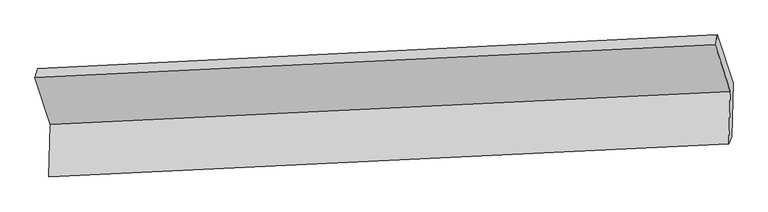
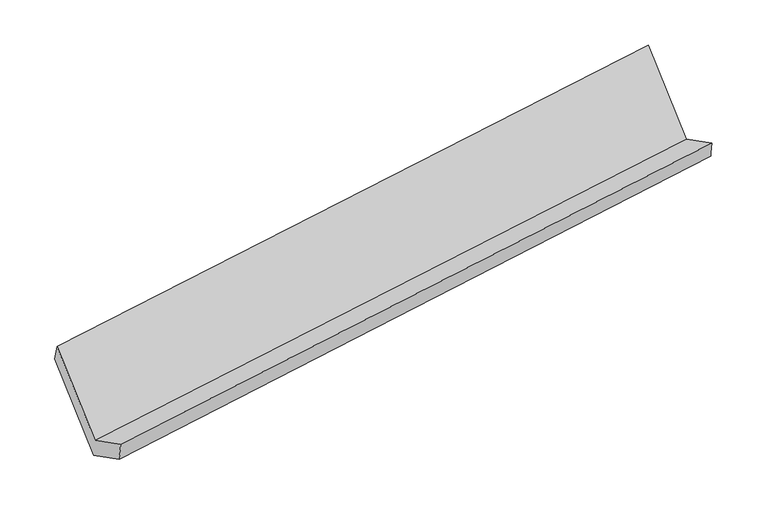
"""IFC4 building model written with IfcOpenShell, lengths in millimetres: proxy geometry."""

from ifc_helpers import new_model, si_unit, frame, origin, place, context, project, spatial, source, transform, mapped, element, save
from ifc_brep_helpers import plane_surface, spline_surface, advanced_brep


def generic_models_43aaec91(model_context):
    return source(origin(), model_context, "Body", "AdvancedBrep", [
        advanced_brep(
        [(-5058.730681, -1629.527556, 1425.4583241), (-5068.2194534, -1971.5917894, 1606.5667359), (-617.903513, -1755.7287053, 2247.4374409), (-608.4147406, -1413.6644719, 2066.3290291), (-5047.8912002, -1918.5608945, 1450.2257494), (-600.2155588, -1708.9634475, 2111.1904986), (-5038.5039073, -1580.1549319, 1271.0542358), (-590.4606425, -1357.3048977, 1925.0023057), (-5141.2961521, -1264.1378724, 1862.5384187), (-693.2528874, -1041.2878382, 2516.4864886), (-5158.8291831, -1321.7919448, 2001.44225), (-708.5132427, -1105.9288606, 2642.312955)],
        [
            (0, 1),
            (1, 2),
            (2, 3),
            (3, 0),
            (1, 4),
            (4, 5),
            (5, 2),
            (4, 6),
            (6, 7),
            (7, 5),
            (6, 8),
            (8, 9),
            (9, 7),
            (8, 10),
            (10, 11),
            (11, 9),
            (10, 0),
            (3, 11),
        ],
        [
            plane_surface(frame((-5063.4750672, -1800.5596727, 1516.01253), z_axis=(-0.1482180567147589, 0.46595905426555423, 0.8723035981879538), x_axis=(-0.024508220176924316, -0.8835058083125, 0.4677786162511445))),
            spline_surface(1, 1, [[(-5068.2194534, -1971.5917894, 1606.5667359), (-617.903513, -1755.7287053, 2247.4374409)], [(-5047.8912002, -1918.5608945, 1450.2257494), (-600.2155588, -1708.9634475, 2111.1904986)]], [2, 2], [2, 2], [0.0, 1.0], [0.0, 1.0]),
            plane_surface(frame((-5043.1975538, -1749.3579132, 1360.6399926), z_axis=(0.15151171030055857, -0.4657966682495668, -0.871824331783303), x_axis=(0.02450822017694649, 0.8835058083125, -0.46777861625114325))),
            plane_surface(frame((-5089.9000297, -1422.1464021, 1566.7963272), z_axis=(0.024508220176946233, 0.8835058083125003, -0.46777861625114286), x_axis=(-0.15151171030055513, 0.46579666824956645, 0.8718243317833037))),
            spline_surface(1, 1, [[(-5141.2961521, -1264.1378724, 1862.5384187), (-693.2528874, -1041.2878382, 2516.4864886)], [(-5158.8291831, -1321.7919448, 2001.44225), (-708.5132427, -1105.9288606, 2642.312955)]], [2, 2], [2, 2], [0.0, 1.0], [0.0, 1.0]),
            plane_surface(frame((-5108.7799321, -1475.6597504, 1713.4502871), z_axis=(-0.02450822017694554, -0.8835058083125024, 0.467778616251139), x_axis=(0.15151171030055172, -0.4657966682495628, -0.8718243317833063))),
            plane_surface(frame((-636.4600975, -1397.1463702, 2251.4597863), z_axis=(0.9881515818868871, 0.04950707551121735, 0.1452773233810754), x_axis=(-0.10725569098555272, -0.4543221547871736, 0.884357165641095))),
            plane_surface(frame((-5085.5784295, -1614.2941648, 1602.8809523), z_axis=(-0.9881515818868859, -0.04950707551119636, -0.14527732338109012), x_axis=(-0.1515117103005549, 0.4657966682495625, 0.8718243317833059))),
        ],
        [
            (0, [[1, 2, 3, 4]]),
            (1, [[5, 6, 7, -2]]),
            (2, [[8, 9, 10, -6]]),
            (3, [[11, 12, 13, -9]]),
            (4, [[14, 15, 16, -12]]),
            (5, [[17, -4, 18, -15]]),
            (6, [[-16, -18, -3, -7, -10, -13]]),
            (7, [[-17, -14, -11, -8, -5, -1]]),
        ],
    ),
    ])


if __name__ == "__main__":
    model = new_model("IFC4")
    model_context = context("Model", 3, world=origin())
    ifc_project = project(units=[si_unit("LENGTHUNIT", "METRE", prefix="MILLI")], contexts=[model_context])
    site = spatial("IfcSite", under=ifc_project)
    building = spatial("IfcBuilding", under=site)
    placement = place(None, origin())
    generic_models_shape = generic_models_43aaec91(model_context)
    element("IfcBuildingElementProxy", 1, Name="Generic Models", at=placement, inside=building, context=model_context, shape_type="MappedRepresentation", body=[
        mapped(generic_models_shape, transform((0.0, 0.0, 0.0), x_axis=(1.0, 0.0, 0.0), y_axis=(0.0, 1.0, 0.0), z_axis=(0.0, 0.0, 1.0))),
    ])
    save(model, "model.ifc")
